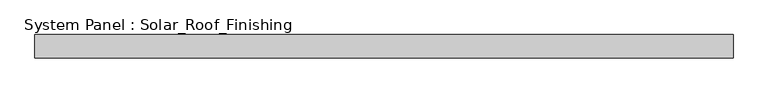
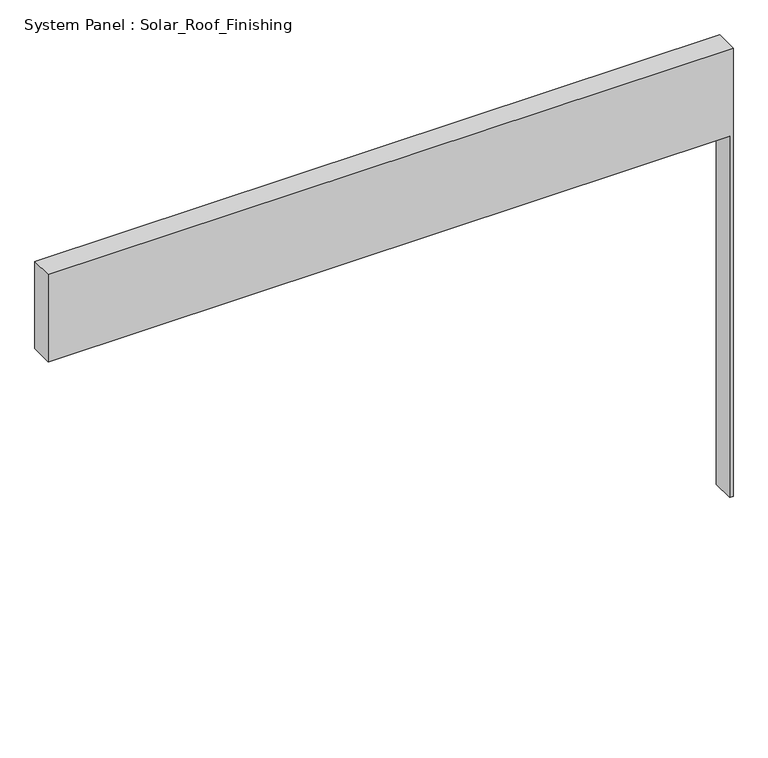
"""IFC4 building model written with IfcOpenShell, lengths in millimetres: plate geometry, System Panel : Solar_Roof_Finishing."""

from ifc_helpers import new_model, si_unit, frame, origin, place, context, project, spatial, polyline, outline, extrude, source, transform, mapped, element, save


def system_panel_solar_roof_finishing_01269a85(model_context):
    return source(origin(), model_context, "Body", "SweptSolid", [
        extrude(outline(polyline([(0.0, 886.5), (0.0, 895.5), (1240.0, 895.5), (1240.0, -895.5), (998.889113, -895.5), (998.889113, 886.5), (0.0, 886.5)])), frame((0.0, -10.5, 0.0), z_axis=(0.0, 1.0, 0.0), x_axis=(0.0, 0.0, 1.0)), (0.0, 0.0, 1.0), 60.0),
    ])


if __name__ == "__main__":
    model = new_model("IFC4")
    model_context = context("Model", 3, world=origin())
    ifc_project = project(units=[si_unit("LENGTHUNIT", "METRE", prefix="MILLI")], contexts=[model_context])
    site = spatial("IfcSite", under=ifc_project)
    building = spatial("IfcBuilding", under=site)
    placement = place(None, origin())
    system_panel_solar_roof_finishing_shape = system_panel_solar_roof_finishing_01269a85(model_context)
    element("IfcPlate", 1, ObjectType="System Panel : Solar_Roof_Finishing", at=placement, inside=building, context=model_context, shape_type="MappedRepresentation", body=[
        mapped(system_panel_solar_roof_finishing_shape, transform((0.0, 0.0, 0.0), x_axis=(1.0, 0.0, 0.0), y_axis=(0.0, 1.0, 0.0), z_axis=(0.0, 0.0, 1.0))),
    ])
    save(model, "model.ifc")
